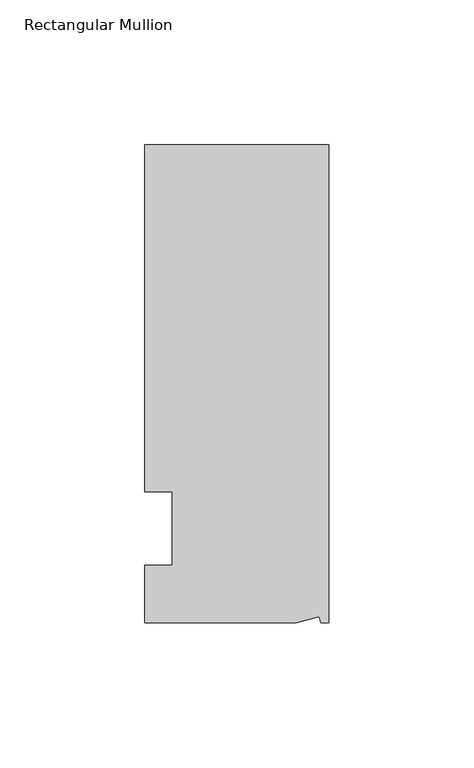
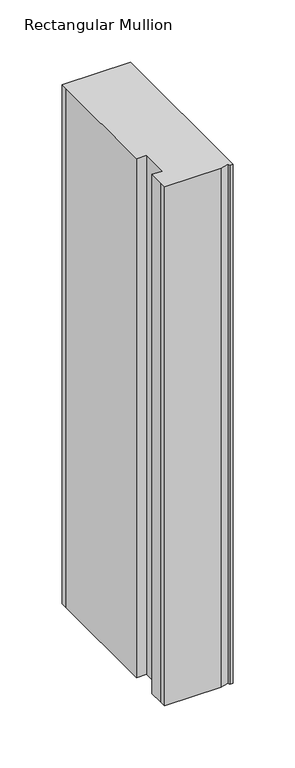
"""IFC4 building model written with IfcOpenShell, lengths in millimetres: member geometry, Rectangular Mullion."""

from ifc_helpers import new_model, si_unit, frame, origin, place, context, project, spatial, polyline, outline, extrude, source, transform, mapped, element, save


def rectangular_mullion_61225edc(model_context):
    return source(origin(), model_context, "Body", "SweptSolid", [
        extrude(outline(polyline([(0.0, 132.5561012), (0.0, -32.5438988), (-2.7616541, -32.5438988), (-3.3341886, -30.4622958), (-11.121847, -32.5438988), (-63.5, -32.5438988), (-63.5, -26.1938988), (-63.5, -12.5945801), (-53.975, -12.5945801), (-53.975, 12.8054199), (-63.5, 12.8054199), (-63.5, 126.2061012), (-63.5, 132.5561012), (0.0, 132.5561012)])), frame((0.0, 0.0, -509.6488917), z_axis=(0.0, 0.0, 1.0), x_axis=(1.0, 0.0, 0.0)), (0.0, 0.0, 1.0), 509.6488917),
    ])


if __name__ == "__main__":
    model = new_model("IFC4")
    model_context = context("Model", 3, world=origin())
    ifc_project = project(units=[si_unit("LENGTHUNIT", "METRE", prefix="MILLI")], contexts=[model_context])
    site = spatial("IfcSite", under=ifc_project)
    building = spatial("IfcBuilding", under=site)
    placement = place(None, origin())
    rectangular_mullion_shape = rectangular_mullion_61225edc(model_context)
    element("IfcMember", 1, ObjectType="Rectangular Mullion", at=placement, inside=building, context=model_context, shape_type="MappedRepresentation", body=[
        mapped(rectangular_mullion_shape, transform((0.0, 0.0, 0.0), x_axis=(1.0, 0.0, 0.0), y_axis=(0.0, 1.0, 0.0), z_axis=(0.0, 0.0, 1.0))),
    ])
    save(model, "model.ifc")
